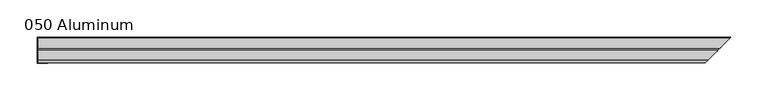
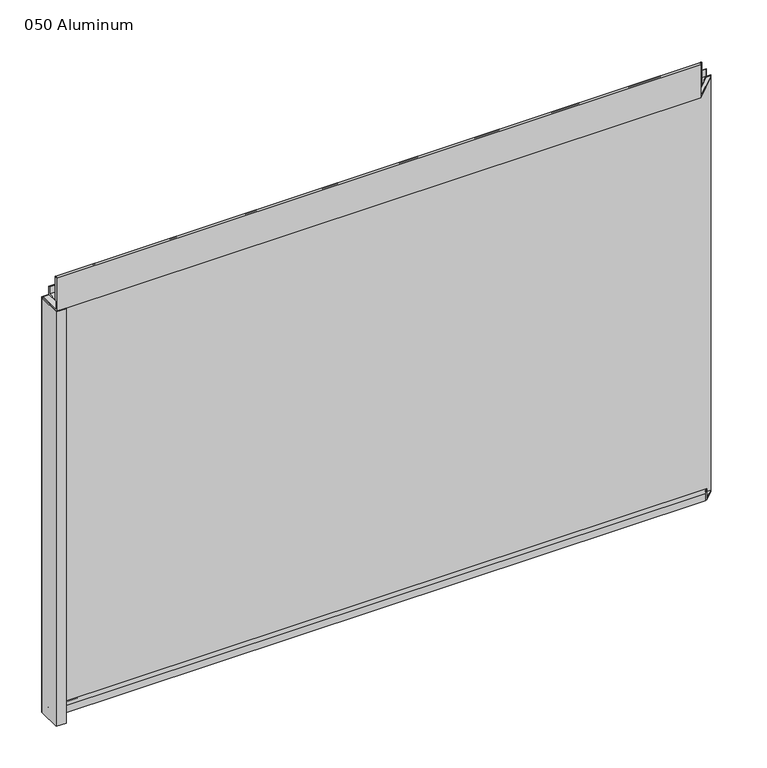
"""IFC4 building model written with IfcOpenShell, lengths in millimetres: plate geometry, 050 Aluminum."""

from ifc_helpers import new_model, si_unit, frame, origin, origin_with_axes, place, context, project, spatial, polyline, circle_curve, ellipse_curve, outline, extrude, source, transform, mapped, element, save
from ifc_brep_helpers import plane_surface, cylinder_surface, revolved_surface, advanced_brep


def plate_050_aluminum_0763d288(model_context):
    return source(origin(), model_context, "Body", "SolidModel", [
        extrude(outline(polyline([(-445.6224922, 2.5660257), (-432.7319917, 2.5660257), (-432.7319917, 1.2699999), (-446.8924921, 1.2699999), (-446.8924921, 34.7980001), (-445.6224922, 34.7980001), (-445.6224922, 2.5660257)])), origin_with_axes(), (0.0, 0.0, 1.0), 608.33),
        advanced_brep(
        [(-445.6224922, 16.6765477, 13.1458337), (-445.6224922, 23.0264743, 13.124237), (-445.6224922, 23.0264743, 1.2693678), (-445.6224922, 34.7980002, 1.2693678), (-445.6224922, 34.7980002, 0.0), (-445.6224922, 21.7564743, 0.0), (-445.6224922, 21.7564743, 13.124237), (-445.6224922, 17.9464915, 13.1323356), (-445.6224922, 17.9464915, 2.786437), (-445.6224922, 16.6765477, 2.786437), (463.56904, 16.6765477, 2.786437), (463.56904, 16.6765477, 13.1458337), (464.8389837, 17.9464915, 2.786437), (464.8389837, 17.9464915, 13.1323356), (468.6489665, 21.7564743, 13.124237), (468.6489665, 21.7564743, 0.0), (481.6904922, 34.7980002, 0.0), (481.6904922, 34.7980002, 1.2693678), (469.9189665, 23.0264743, 1.2693678), (469.9189665, 23.0264743, 13.124237)],
        [
            (0, 1, circle_curve(frame((-445.6224922, 19.8514743, 13.124237), z_axis=(-1.0, 0.0, 0.0), x_axis=(0.0, 0.0, -1.0)), 3.175)),
            (1, 2),
            (2, 3),
            (3, 4),
            (4, 5),
            (5, 6),
            (6, 7, circle_curve(frame((-445.6224922, 19.8514743, 13.124237), z_axis=(1.0, 0.0, 0.0), x_axis=(0.0, 0.0, -1.0)), 1.905)),
            (7, 8),
            (8, 9),
            (9, 0),
            (9, 10),
            (10, 11),
            (11, 0),
            (8, 12),
            (12, 10),
            (7, 13),
            (13, 12),
            (6, 14),
            (14, 13, ellipse_curve(frame((466.7439665, 19.8514743, 13.124237), z_axis=(0.7071067811865491, -0.707106781186546, 0.0), x_axis=(0.7071067811865459, 0.7071067811865491, 0.0)), 2.6940768, 1.905)),
            (5, 15),
            (15, 14),
            (4, 16),
            (16, 15),
            (3, 17),
            (17, 16),
            (2, 18),
            (18, 17),
            (1, 19),
            (19, 18),
            (11, 19, ellipse_curve(frame((466.7439665, 19.8514743, 13.124237), z_axis=(-0.7071067811865491, 0.707106781186546, 0.0), x_axis=(-0.7071067811865459, -0.7071067811865491, 0.0)), 4.4901281, 3.175)),
        ],
        [
            plane_surface(frame((-445.6224922, 36.068, 0.0), z_axis=(-1.0, 0.0, 0.0), x_axis=(0.0, 0.0, 1.0))),
            plane_surface(frame((-445.6224922, 16.6765477, 13.1458337), z_axis=(0.0, -1.0, 0.0), x_axis=(1.0, 0.0, 0.0))),
            plane_surface(frame((-445.6224922, 16.6765477, 2.786437), z_axis=(0.0, 0.0, -1.0), x_axis=(1.0, 0.0, 0.0))),
            plane_surface(frame((-445.6224922, 17.9464915, 2.786437), z_axis=(0.0, 1.0, 0.0), x_axis=(1.0, 0.0, 0.0))),
            revolved_surface(polyline([(468.64896650000003, 19.8514743, 11.219237000000001), (-445.6224922, 19.8514743, 11.219237000000001)]), (-445.6224922, 19.8514743, 13.124237), (1.0, 0.0, 0.0)),
            plane_surface(frame((-445.6224922, 21.7564743, 13.124237), z_axis=(0.0, -1.0, 0.0), x_axis=(1.0, 0.0, 0.0))),
            plane_surface(frame((-445.6224922, 21.7564743, 0.0), z_axis=(0.0, 0.0, -1.0), x_axis=(1.0, 0.0, 0.0))),
            plane_surface(frame((-445.6224922, 34.7980002, 0.0), z_axis=(0.0, 1.0, 0.0), x_axis=(1.0, 0.0, 0.0))),
            plane_surface(frame((-445.6224922, 34.7980002, 1.2693678), z_axis=(0.0, 0.0, 1.0), x_axis=(1.0, 0.0, 0.0))),
            plane_surface(frame((-445.6224922, 23.0264743, 1.2693678), z_axis=(0.0, 1.0, 0.0), x_axis=(1.0, 0.0, 0.0))),
            cylinder_surface(frame((-445.6224922, 19.8514743, 13.124237), z_axis=(-1.0, 0.0, 0.0), x_axis=(0.0, 0.0, -1.0)), 3.175),
            plane_surface(frame((446.8924922, 0.0, 795.4549971), z_axis=(0.7071067811865491, -0.707106781186546, 0.0), x_axis=(0.0, 0.0, -1.0))),
        ],
        [
            (0, [[1, 2, 3, 4, 5, 6, 7, 8, 9, 10]]),
            (1, [[11, 12, 13, -10]]),
            (2, [[14, 15, -11, -9]]),
            (3, [[16, 17, -14, -8]]),
            (4, [[18, 19, -16, -7]]),
            (5, [[20, 21, -18, -6]]),
            (6, [[22, 23, -20, -5]]),
            (7, [[24, 25, -22, -4]]),
            (8, [[26, 27, -24, -3]]),
            (9, [[28, 29, -26, -2]]),
            (10, [[-13, 30, -28, -1]]),
            (11, [[-15, -17, -19, -21, -23, -25, -27, -29, -30, -12]]),
        ],
    ),
        advanced_brep(
        [(-445.6224922, 2.0574743, 656.7932001), (-445.6224922, 5.3594742, 656.7932001), (-445.6224922, 5.3594742, 623.57), (-445.6224922, 19.2164743, 623.57), (-445.6224922, 19.2164743, 633.6538), (-445.6224922, 20.4864742, 633.6538), (-445.6224922, 20.4864742, 622.3), (-445.6224922, 4.0894742, 622.3), (-445.6224922, 4.0894742, 656.7932001), (-445.6224922, 3.3274743, 656.7932001), (-445.6224922, 3.3274743, 609.6000001), (-445.6224922, 34.7980002, 609.6000001), (-445.6224922, 34.7980002, 608.33), (-445.6224922, 2.0574743, 608.33), (448.9499665, 2.0574743, 608.33), (448.9499665, 2.0574743, 656.7932001), (481.6904922, 34.7980002, 608.33), (481.6904922, 34.7980002, 609.6000001), (450.2199665, 3.3274743, 609.6000001), (450.2199665, 3.3274743, 656.7932001), (450.9819664, 4.0894742, 656.7932001), (450.9819664, 4.0894742, 622.3), (467.3789665, 20.4864742, 622.3), (467.3789665, 20.4864742, 633.6538), (466.1089665, 19.2164743, 633.6538), (466.1089665, 19.2164743, 623.57), (452.2519664, 5.3594742, 623.57), (452.2519664, 5.3594742, 656.7932001)],
        [
            (0, 1, circle_curve(frame((-445.6224922, 3.7084742, 656.7932001), z_axis=(-1.0, 0.0, 0.0), x_axis=(0.0, 0.0, -1.0)), 1.6509999)),
            (1, 2),
            (2, 3),
            (3, 4),
            (4, 5),
            (5, 6),
            (6, 7),
            (7, 8),
            (8, 9, circle_curve(frame((-445.6224922, 3.7084742, 656.7932001), z_axis=(1.0, 0.0, 0.0), x_axis=(0.0, 0.0, -1.0)), 0.3809999)),
            (9, 10),
            (10, 11),
            (11, 12),
            (12, 13),
            (13, 0),
            (13, 14),
            (14, 15),
            (15, 0),
            (12, 16),
            (16, 14),
            (11, 17),
            (17, 16),
            (10, 18),
            (18, 17),
            (9, 19),
            (19, 18),
            (8, 20),
            (20, 19, ellipse_curve(frame((450.6009665, 3.7084742, 656.7932001), z_axis=(0.7071067811865491, -0.707106781186546, 0.0), x_axis=(0.7071067811865459, 0.7071067811865491, 0.0)), 0.5388153, 0.3809999)),
            (7, 21),
            (21, 20),
            (6, 22),
            (22, 21),
            (5, 23),
            (23, 22),
            (4, 24),
            (24, 23),
            (3, 25),
            (25, 24),
            (2, 26),
            (26, 25),
            (1, 27),
            (27, 26),
            (15, 27, ellipse_curve(frame((450.6009665, 3.7084742, 656.7932001), z_axis=(-0.7071067811865491, 0.707106781186546, 0.0), x_axis=(-0.7071067811865459, -0.7071067811865491, 0.0)), 2.3348665, 1.6509999)),
        ],
        [
            plane_surface(frame((-445.6224922, 36.068, 609.6), z_axis=(-1.0, 0.0, 0.0), x_axis=(0.0, 0.0, 1.0))),
            plane_surface(frame((-445.6224922, 2.0574743, 656.7932001), z_axis=(0.0, -1.0, 0.0), x_axis=(1.0, 0.0, 0.0))),
            plane_surface(frame((-445.6224922, 2.0574743, 608.33), z_axis=(0.0, 0.0, -1.0), x_axis=(1.0, 0.0, 0.0))),
            plane_surface(frame((-445.6224922, 34.7980002, 608.33), z_axis=(0.0, 1.0, 0.0), x_axis=(1.0, 0.0, 0.0))),
            plane_surface(frame((-445.6224922, 34.7980002, 609.6000001), z_axis=(0.0, 0.0, 1.0), x_axis=(1.0, 0.0, 0.0))),
            plane_surface(frame((-445.6224922, 3.3274743, 609.6000001), z_axis=(0.0, 1.0, 0.0), x_axis=(1.0, 0.0, 0.0))),
            revolved_surface(polyline([(450.98196645243706, 3.7084742, 656.4122002), (-445.6224922, 3.7084742, 656.4122002)]), (-445.6224922, 3.7084742, 656.7932001), (1.0, 0.0, 0.0)),
            plane_surface(frame((-445.6224922, 4.0894742, 656.7932001), z_axis=(0.0, -1.0, 0.0), x_axis=(1.0, 0.0, 0.0))),
            plane_surface(frame((-445.6224922, 4.0894742, 622.3), z_axis=(0.0, 0.0, -1.0), x_axis=(1.0, 0.0, 0.0))),
            plane_surface(frame((-445.6224922, 20.4864742, 622.3), z_axis=(0.0, 1.0, 0.0), x_axis=(1.0, 0.0, 0.0))),
            plane_surface(frame((-445.6224922, 20.4864742, 633.6538), z_axis=(0.0, 0.0, 1.0), x_axis=(1.0, 0.0, 0.0))),
            plane_surface(frame((-445.6224922, 19.2164743, 633.6538), z_axis=(0.0, -1.0, 0.0), x_axis=(1.0, 0.0, 0.0))),
            plane_surface(frame((-445.6224922, 19.2164743, 623.57), z_axis=(0.0, 0.0, 1.0), x_axis=(1.0, 0.0, 0.0))),
            plane_surface(frame((-445.6224922, 5.3594742, 623.57), z_axis=(0.0, 1.0, 0.0), x_axis=(1.0, 0.0, 0.0))),
            cylinder_surface(frame((-445.6224922, 3.7084742, 656.7932001), z_axis=(-1.0, 0.0, 0.0), x_axis=(0.0, 0.0, -1.0)), 1.6509999),
            plane_surface(frame((446.8924922, 0.0, 795.4549971), z_axis=(0.7071067811865491, -0.707106781186546, 0.0), x_axis=(0.0, 0.0, -1.0))),
        ],
        [
            (0, [[1, 2, 3, 4, 5, 6, 7, 8, 9, 10, 11, 12, 13, 14]]),
            (1, [[15, 16, 17, -14]]),
            (2, [[18, 19, -15, -13]]),
            (3, [[20, 21, -18, -12]]),
            (4, [[22, 23, -20, -11]]),
            (5, [[24, 25, -22, -10]]),
            (6, [[26, 27, -24, -9]]),
            (7, [[28, 29, -26, -8]]),
            (8, [[30, 31, -28, -7]]),
            (9, [[32, 33, -30, -6]]),
            (10, [[34, 35, -32, -5]]),
            (11, [[36, 37, -34, -4]]),
            (12, [[38, 39, -36, -3]]),
            (13, [[40, 41, -38, -2]]),
            (14, [[-17, 42, -40, -1]]),
            (15, [[-19, -21, -23, -25, -27, -29, -31, -33, -35, -37, -39, -41, -42, -16]]),
        ],
    ),
        extrude(outline(polyline([(-446.8924922, 36.068), (482.9604922, 36.068), (481.6904923, 34.7980001), (-446.8924922, 34.7980001), (-446.8924922, 36.068)])), origin_with_axes(), (0.0, 0.0, 1.0), 609.6),
    ])


if __name__ == "__main__":
    model = new_model("IFC4")
    model_context = context("Model", 3, world=origin())
    ifc_project = project(units=[si_unit("LENGTHUNIT", "METRE", prefix="MILLI")], contexts=[model_context])
    site = spatial("IfcSite", under=ifc_project)
    building = spatial("IfcBuilding", under=site)
    placement = place(None, origin())
    plate_050_aluminum_shape = plate_050_aluminum_0763d288(model_context)
    element("IfcPlate", 1, ObjectType="050 Aluminum", at=placement, inside=building, context=model_context, shape_type="MappedRepresentation", body=[
        mapped(plate_050_aluminum_shape, transform((0.0, 0.0, 0.0), x_axis=(1.0, 0.0, 0.0), y_axis=(0.0, 1.0, 0.0), z_axis=(0.0, 0.0, 1.0))),
    ])
    save(model, "model.ifc")
